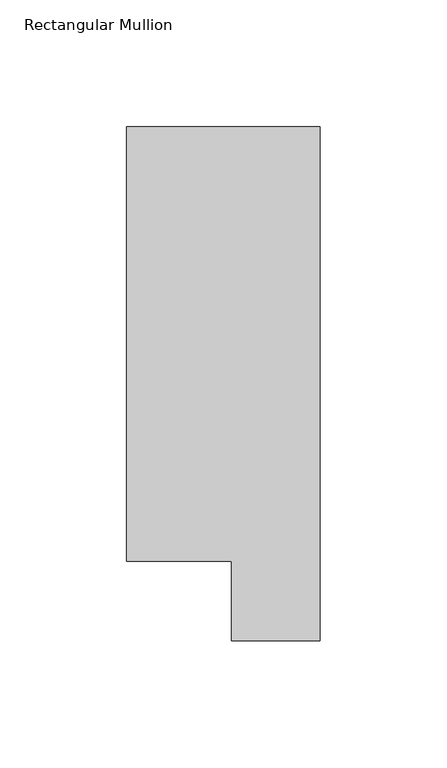
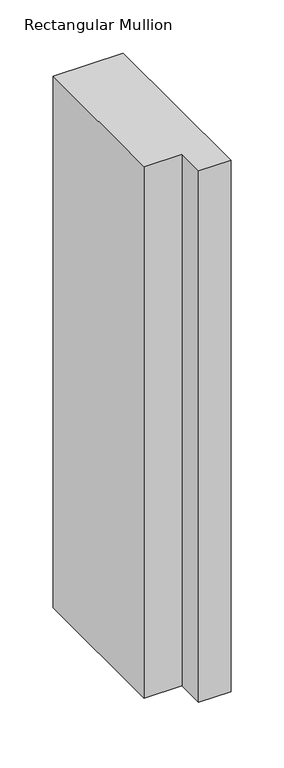
"""IFC4 building model written with IfcOpenShell, lengths in millimetres: member geometry, Rectangular Mullion."""

from ifc_helpers import new_model, si_unit, frame, origin, place, context, project, spatial, polyline, outline, extrude, source, transform, mapped, element, save


def rectangular_mullion_e4fd6bf3(model_context):
    return source(origin(), model_context, "Body", "SweptSolid", [
        extrude(outline(polyline([(0.0, 222.0301313), (0.0, 19.5667312), (-34.9123, 19.5667312), (-34.9123, 50.820278), (-76.2, 50.820278), (-76.2, 222.0301313), (0.0, 222.0301313)])), frame((0.0, 0.0, -609.6), z_axis=(0.0, 0.0, 1.0), x_axis=(1.0, 0.0, 0.0)), (0.0, 0.0, 1.0), 609.6),
    ])


if __name__ == "__main__":
    model = new_model("IFC4")
    model_context = context("Model", 3, world=origin())
    ifc_project = project(units=[si_unit("LENGTHUNIT", "METRE", prefix="MILLI")], contexts=[model_context])
    site = spatial("IfcSite", under=ifc_project)
    building = spatial("IfcBuilding", under=site)
    placement = place(None, origin())
    rectangular_mullion_shape = rectangular_mullion_e4fd6bf3(model_context)
    element("IfcMember", 1, ObjectType="Rectangular Mullion", at=placement, inside=building, context=model_context, shape_type="MappedRepresentation", body=[
        mapped(rectangular_mullion_shape, transform((0.0, 0.0, 0.0), x_axis=(1.0, 0.0, 0.0), y_axis=(0.0, 1.0, 0.0), z_axis=(0.0, 0.0, 1.0))),
    ])
    save(model, "model.ifc")
